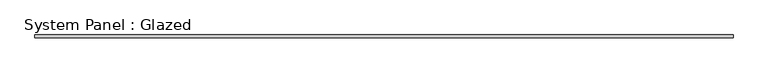
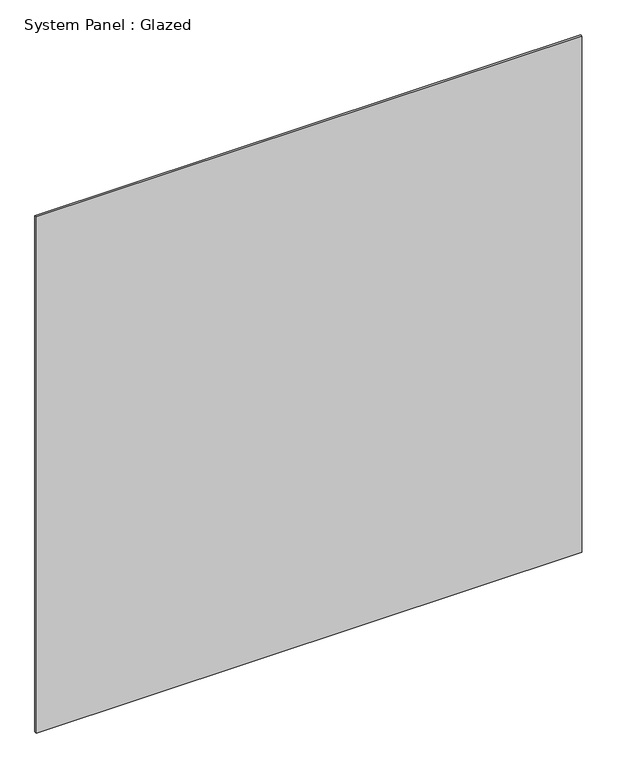
"""IFC4 building model written with IfcOpenShell, lengths in millimetres: plate geometry, System Panel : Glazed."""

import ifcopenshell
import ifcopenshell.guid

model = None  # the IFC model being written
_history = None  # IfcOwnerHistory: only IFC2X3 demands one
_inside = {}  # id of a spatial element -> (the spatial element, [elements in it])
_under = {}  # id of a project, library or spatial element -> (it, [spatial elements below it])
_declared = {}  # id of a project -> (the project, [libraries it declares])
_typed = {}  # id of a type object -> (the type object, [elements of that type])
_made_of = {}  # id of a material, layer set ... -> (it, [elements and type objects made of it])


def new_model(schema):
    """Start an empty IFC model of exactly this schema.

    Asked for "IFC4X3", IfcOpenShell would pick the latest addendum, in which some entities
    have other attributes; the version numbers below select the first issue.
    IFC2X3 requires an IfcOwnerHistory on every rooted entity: one is made here for all.
    """
    global model, _history
    if schema == "IFC4X3":
        model = ifcopenshell.file(schema_version=(4, 3, 0, 0))
    else:
        model = ifcopenshell.file(schema=schema)
    _inside.clear()
    _under.clear()
    _declared.clear()
    _typed.clear()
    _made_of.clear()
    _history = None
    if model.schema == "IFC2X3":
        org = make("IfcOrganization", Name="unknown")
        user = make(
            "IfcPersonAndOrganization",
            ThePerson=make("IfcPerson", FamilyName="unknown"),
            TheOrganization=org,
        )
        app = make(
            "IfcApplication",
            ApplicationDeveloper=org,
            Version="unknown",
            ApplicationFullName="unknown",
            ApplicationIdentifier="unknown",
        )
        _history = make(
            "IfcOwnerHistory",
            OwningUser=user,
            OwningApplication=app,
            ChangeAction="ADDED",
            CreationDate=0,
        )
    return model


def make(cls, **values):
    """One entity of the class cls with the attributes given. An attribute that is None is left unset."""
    return model.create_entity(
        cls, **{name: value for name, value in values.items() if value is not None}
    )


def rooted(cls, **values):
    """An entity with a GlobalId (a new one), such as an element, a storey or a relation."""
    return make(cls, GlobalId=ifcopenshell.guid.new(), OwnerHistory=_history, **values)


def si_unit(unit_type, name, prefix=None):
    """IfcSIUnit, for example si_unit("LENGTHUNIT", "METRE", prefix="MILLI")."""
    return make("IfcSIUnit", UnitType=unit_type, Prefix=prefix, Name=name)


def assignment(units):
    """IfcUnitAssignment: the units of a project."""
    return None if units is None else make("IfcUnitAssignment", Units=units)


def point(xyz):
    """IfcCartesianPoint."""
    return None if xyz is None else make("IfcCartesianPoint", Coordinates=xyz)


def direction(xyz):
    """IfcDirection."""
    return None if xyz is None else make("IfcDirection", DirectionRatios=xyz)


def frame(location, z_axis=None, x_axis=None):
    """IfcAxis2Placement3D, a coordinate frame: its origin and axes. An axis left out is left unset."""
    return make(
        "IfcAxis2Placement3D",
        Location=point(location),
        Axis=direction(z_axis),
        RefDirection=direction(x_axis),
    )


def origin():
    """The frame at (0, 0, 0) with its axes left unset."""
    return frame((0.0, 0.0, 0.0))


def origin_with_axes():
    """The frame at (0, 0, 0) with the z axis (0, 0, 1) and the x axis (1, 0, 0) written out."""
    return frame((0.0, 0.0, 0.0), z_axis=(0.0, 0.0, 1.0), x_axis=(1.0, 0.0, 0.0))


def place(relative_to, where):
    """IfcLocalPlacement: puts the frame where relative to a parent placement (None: the world)."""
    return make(
        "IfcLocalPlacement", PlacementRelTo=relative_to, RelativePlacement=where
    )


def context(
    kind, dimensions, precision=None, world=None, true_north=None, identifier=None
):
    """IfcGeometricRepresentationContext, for example the 3D "Model" context."""
    return make(
        "IfcGeometricRepresentationContext",
        ContextIdentifier=identifier,
        ContextType=kind,
        CoordinateSpaceDimension=dimensions,
        Precision=precision,
        WorldCoordinateSystem=world,
        TrueNorth=true_north,
    )


def project(units=None, contexts=None):
    """IfcProject with its units and contexts."""
    return rooted(
        "IfcProject",
        Name="project",
        RepresentationContexts=contexts,
        UnitsInContext=assignment(units),
    )


def spatial(cls, under=None, at=None, **own):
    """A site, building, storey or space (cls), placed at a placement, below another one or the project."""
    s = rooted(cls, ObjectPlacement=at, **own)
    if under is not None:
        _under.setdefault(under.id(), (under, []))[1].append(s)
    return s


def polyline(points):
    """IfcPolyline through the points."""
    return make("IfcPolyline", Points=[point(p) for p in points])


def outline(outer, holes=None, kind="AREA"):
    """IfcArbitraryClosedProfileDef: a profile drawn as a closed curve; with holes, ...WithVoids."""
    if holes is None:
        return make("IfcArbitraryClosedProfileDef", ProfileType=kind, OuterCurve=outer)
    return make(
        "IfcArbitraryProfileDefWithVoids",
        ProfileType=kind,
        OuterCurve=outer,
        InnerCurves=holes,
    )


def extrude(swept, where, along, depth):
    """IfcExtrudedAreaSolid: the profile swept, set in the frame where, extruded along a direction by depth."""
    return make(
        "IfcExtrudedAreaSolid",
        SweptArea=swept,
        Position=where,
        ExtrudedDirection=direction(along),
        Depth=depth,
    )


def shape(context_of_items, identifier, shape_type, items):
    """IfcShapeRepresentation: the items that make up one representation, for example the "Body"."""
    return make(
        "IfcShapeRepresentation",
        ContextOfItems=context_of_items,
        RepresentationIdentifier=identifier,
        RepresentationType=shape_type,
        Items=items,
    )


def source(mapping_origin, context_of_items, identifier, shape_type, items):
    """IfcRepresentationMap: a shape defined once, which mapped items show again and again."""
    return make(
        "IfcRepresentationMap",
        MappingOrigin=mapping_origin,
        MappedRepresentation=shape(context_of_items, identifier, shape_type, items),
    )


def transform(
    local_origin,
    x_axis=None,
    y_axis=None,
    z_axis=None,
    scale=None,
    scale2=None,
    scale3=None,
    uniform=True,
):
    """IfcCartesianTransformationOperator3D, or its non-uniform kind. x_axis, y_axis, z_axis: its Axis1, 2, 3."""
    if uniform:
        return make(
            "IfcCartesianTransformationOperator3D",
            Axis1=direction(x_axis),
            Axis2=direction(y_axis),
            LocalOrigin=point(local_origin),
            Scale=scale,
            Axis3=direction(z_axis),
        )
    return make(
        "IfcCartesianTransformationOperator3DnonUniform",
        Axis1=direction(x_axis),
        Axis2=direction(y_axis),
        LocalOrigin=point(local_origin),
        Scale=scale,
        Axis3=direction(z_axis),
        Scale2=scale2,
        Scale3=scale3,
    )


def mapped(mapping_source, mapping_target):
    """IfcMappedItem: shows the shape of a source again, moved by a transform."""
    return make(
        "IfcMappedItem", MappingSource=mapping_source, MappingTarget=mapping_target
    )


def made_of(thing, what):
    """Note that an element or type object is made of a material, layer set ...; save() writes the relation."""
    if what is not None:
        _made_of.setdefault(what.id(), (what, []))[1].append(thing)
    return thing


def element(
    cls,
    number,
    at=None,
    inside=None,
    cuts=None,
    type_object=None,
    material=None,
    context=None,
    identifier="Body",
    shape_type=None,
    held_by="IfcProductDefinitionShape",
    body=None,
    shapes=None,
    **own,
):
    """One element of the class cls, such as IfcWall. Its Tag is "e" and its number.

    at: its placement. inside: the storey or other place that contains it. cuts: it is an
    opening in that element (IfcRelVoidsElement). A single representation is given by context,
    identifier, shape_type and body (its items); several are given by shapes. held_by: the class
    of the entity that holds the representations. save() writes the other relations.
    """
    e = rooted(cls, Tag="e%d" % number, ObjectPlacement=at, **own)
    if body is not None:
        shapes = [shape(context, identifier, shape_type, body)]
    if shapes is not None:
        e.Representation = make(held_by, Representations=shapes)
    if inside is not None:
        _inside.setdefault(inside.id(), (inside, []))[1].append(e)
    if cuts is not None:
        rooted(
            "IfcRelVoidsElement", RelatingBuildingElement=cuts, RelatedOpeningElement=e
        )
    if type_object is not None:
        _typed.setdefault(type_object.id(), (type_object, []))[1].append(e)
    return made_of(e, material)


def aggregate(whole, parts):
    """IfcRelAggregates: a whole, such as a stair, and the parts it consists of."""
    return rooted("IfcRelAggregates", RelatingObject=whole, RelatedObjects=parts)


def save(model, path):
    """Write the relations noted so far, then the file.

    IfcRelAggregates (storeys below a building ...), IfcRelContainedInSpatialStructure (elements
    in a storey), IfcRelDefinesByType, IfcRelAssociatesMaterial and IfcRelDeclares: one each for
    every whole, place, type object, material and project.
    """
    for whole, parts in _under.values():
        aggregate(whole, parts)
    for where, things in _inside.values():
        rooted(
            "IfcRelContainedInSpatialStructure",
            RelatedElements=things,
            RelatingStructure=where,
        )
    for kind, things in _typed.values():
        rooted("IfcRelDefinesByType", RelatedObjects=things, RelatingType=kind)
    for what, things in _made_of.values():
        rooted("IfcRelAssociatesMaterial", RelatedObjects=things, RelatingMaterial=what)
    for by, libraries in _declared.values():
        rooted("IfcRelDeclares", RelatingContext=by, RelatedDefinitions=libraries)
    model.write(path)


def system_panel_glazed_1ef5859a(model_context):
    return source(origin(), model_context, "Body", "SweptSolid", [
        extrude(outline(polyline([(728.6553876, 31.025), (-728.6553876, 31.025), (-728.6553876, 37.375), (728.6553876, 37.375), (728.6553876, 31.025)])), origin_with_axes(), (0.0, 0.0, 1.0), 1457.3107752),
    ])


if __name__ == "__main__":
    model = new_model("IFC4")
    model_context = context("Model", 3, world=origin())
    ifc_project = project(units=[si_unit("LENGTHUNIT", "METRE", prefix="MILLI")], contexts=[model_context])
    site = spatial("IfcSite", under=ifc_project)
    building = spatial("IfcBuilding", under=site)
    placement = place(None, origin())
    system_panel_glazed_shape = system_panel_glazed_1ef5859a(model_context)
    element("IfcPlate", 1, ObjectType="System Panel : Glazed", at=placement, inside=building, context=model_context, shape_type="MappedRepresentation", body=[
        mapped(system_panel_glazed_shape, transform((0.0, 0.0, 0.0), x_axis=(1.0, 0.0, 0.0), y_axis=(0.0, 1.0, 0.0), z_axis=(0.0, 0.0, 1.0))),
    ])
    save(model, "model.ifc")
